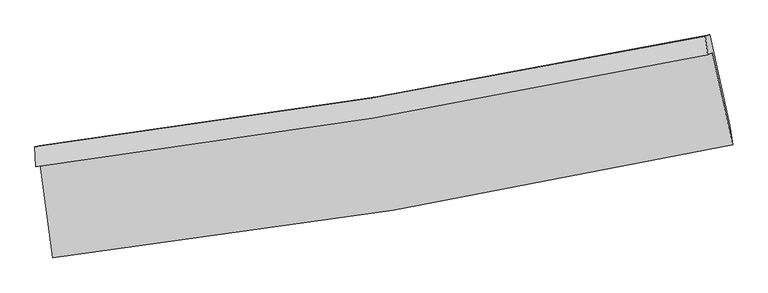
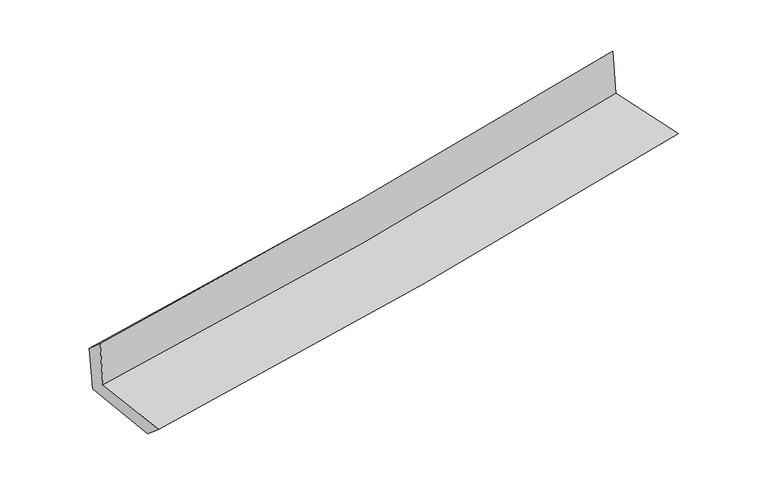
"""IFC4 building model written with IfcOpenShell, lengths in millimetres: proxy geometry."""

from ifc_helpers import new_model, si_unit, frame, origin, place, context, project, spatial, source, transform, mapped, element, save
from ifc_brep_helpers import plane_surface, spline_curve, spline_surface, advanced_brep


def generic_models_5abf8957(model_context):
    return source(origin(), model_context, "Body", "AdvancedBrep", [
        advanced_brep(
        [(-2410.9243542, -1876.1835174, 1683.6027107), (-2323.6171976, -2534.8387388, 1657.7481431), (2496.378185, -1734.5996, 2110.5598628), (2351.8592015, -1080.4848574, 2121.4809054), (-2442.6890468, -1889.6840264, 2071.8697451), (2319.7356361, -1094.1378931, 2514.1345235), (-2449.933421, -1747.7819363, 1943.431766), (2302.832851, -963.7595058, 2383.2327274), (-2418.7552837, -1738.9282535, 1568.9159457), (2334.5643148, -954.788518, 2006.4503585), (-2331.4924085, -2392.1491464, 1535.4411199), (2477.1382892, -1592.9641966, 1978.1690005)],
        [
            (0, 1),
            (1, 2, spline_curve(3, [(-2323.6171976, -2534.8387388, 1657.7481431), (-1516.015405308, -2443.383703194, 1742.33434299), (-711.697860018, -2331.221964943, 1822.266328391), (895.005398114, -2064.715994619, 1973.257604808), (1697.352980667, -1910.131353072, 2044.262859305), (2496.378185, -1734.5996, 2110.5598628)], [4, 2, 4], [0.0, 7.981221370477054, 16.008640855692537])),
            (2, 3),
            (3, 0, spline_curve(3, [(2351.8592015, -1080.4848574, 2121.4809054), (1561.621347303, -1248.860823179, 2047.691311383), (768.449969936, -1399.497336164, 1974.202226203), (-819.178216732, -1664.526627833, 1828.246276731), (-1613.601357693, -1779.123001591, 1755.775963879), (-2410.9243542, -1876.1835174, 1683.6027107)], [4, 2, 4], [0.0, 8.027419485215482, 16.008640855692537])),
            (4, 0),
            (3, 5),
            (5, 4, spline_curve(3, [(2319.7356361, -1094.1378931, 2514.1345235), (1528.892610104, -1262.771066688, 2447.742080516), (735.449599025, -1413.523028417, 2377.573236072), (-852.055135284, -1678.499850796, 2230.108301527), (-1646.087018448, -1792.92993361, 2152.855553301), (-2442.6890468, -1889.6840264, 2071.8697451)], [4, 2, 4], [0.0, 7.979030777551432, 15.912141919279462])),
            (6, 4),
            (5, 7),
            (7, 6, spline_curve(3, [(2302.832851, -963.7595058, 2383.2327274), (1513.893618949, -1126.764259976, 2303.547100067), (722.209277427, -1273.744273834, 2226.957349308), (-862.077652302, -1534.901168616, 2080.392559831), (-1654.648734501, -1649.261964904, 2010.381990411), (-2449.933421, -1747.7819363, 1943.431766)], [4, 2, 4], [0.0, 7.969277232108934, 15.89269096043195])),
            (8, 6),
            (7, 9),
            (9, 8, spline_curve(3, [(2334.5643148, -954.788518, 2006.4503585), (1545.182327157, -1117.915206793, 1931.371613996), (753.230869328, -1264.965843807, 1857.26862767), (-831.238486354, -1526.161251702, 1711.4350224), (-1623.72689485, -1640.490526194, 1639.693204247), (-2418.7552837, -1738.9282535, 1568.9159457)], [4, 2, 4], [0.0, 7.959859243982735, 15.873909185071492])),
            (10, 8),
            (9, 11),
            (11, 10, spline_curve(3, [(2477.1382892, -1592.9641966, 1978.1690005), (1679.545257201, -1760.61589438, 1902.189622661), (878.86422559, -1911.183521639, 1827.202328847), (-724.048114614, -2177.382431845, 1679.637754894), (-1526.243982147, -2293.209787775, 1607.049088276), (-2331.4924085, -2392.1491464, 1535.4411199)], [4, 2, 4], [0.0, 8.007348832005448, 15.968615056670778])),
            (1, 10),
            (11, 2),
        ],
        [
            spline_surface(3, 3, [[(-2410.9243542, -1876.1835174, 1683.6027107), (-1613.601357732, -1779.123001656, 1755.775963779), (-819.178216652, -1664.526627859, 1828.246276801), (768.449969855, -1399.497336137, 1974.202226132), (1561.621347309, -1248.8608233, 2047.691311291), (2351.8592015, -1080.4848574, 2121.4809054)], [(-2381.821968675, -2095.735257868, 1674.984521518), (-1581.072706909, -2000.54323548, 1751.295423525), (-783.351431136, -1886.758406916, 1826.252960668), (810.635112649, -1621.236888934, 1973.887352315), (1606.865225063, -1469.284333217, 2046.548493896), (2400.032195988, -1298.523104928, 2117.840557843)], [(-2352.719583125, -2315.286998332, 1666.366332282), (-1548.544056062, -2221.963469299, 1746.814883216), (-747.524645638, -2108.990185975, 1824.259644593), (852.820255424, -1842.976441733, 1973.572478557), (1652.109102854, -1689.707843153, 2045.405676571), (2448.205190512, -1516.561352472, 2114.200210357)], [(-2323.6171976, -2534.8387388, 1657.7481431), (-1516.015405239, -2443.383703123, 1742.334342961), (-711.697860121, -2331.221965031, 1822.266328459), (895.005398218, -2064.71599453, 1973.25760474), (1697.352980608, -1910.131353071, 2044.262859175), (2496.378185, -1734.5996, 2110.5598628)]], [4, 4], [4, 2, 4], [0.0, 2.2184177168518153], [0.0, 7.981221370477054, 16.008640855692537]),
            spline_surface(3, 3, [[(-2442.6890468, -1889.6840264, 2071.8697451), (-1646.087018328, -1792.929933734, 2152.855553333), (-852.055135247, -1678.49985086, 2230.10830159), (735.449598989, -1413.523028353, 2377.573236008), (1528.892610181, -1262.771066788, 2447.74208052), (2319.7356361, -1094.1378931, 2514.1345235)], [(-2432.100815932, -1885.18385675, 1942.447400297), (-1635.258464795, -1788.327623058, 2020.495690146), (-841.09616238, -1673.842109855, 2096.154293342), (746.449722613, -1408.847797609, 2243.116232731), (1539.802189228, -1258.134318956, 2314.391824119), (2330.443491238, -1089.586881198, 2383.249984141)], [(-2421.512585068, -1880.68368705, 1813.025055503), (-1624.429911265, -1783.725312331, 1888.135826966), (-830.137189519, -1669.184368865, 1962.200285049), (757.449846231, -1404.17256688, 2108.659229409), (1550.711768262, -1253.497571131, 2181.041567693), (2341.151346362, -1085.035869302, 2252.365444759)], [(-2410.9243542, -1876.1835174, 1683.6027107), (-1613.601357732, -1779.123001656, 1755.775963779), (-819.178216652, -1664.526627859, 1828.246276801), (768.449969855, -1399.497336137, 1974.202226132), (1561.621347309, -1248.8608233, 2047.691311291), (2351.8592015, -1080.4848574, 2121.4809054)]], [4, 4], [4, 2, 4], [0.0, 1.3261431280108842], [0.0, 7.93311114172803, 15.912141919279462]),
            spline_surface(3, 3, [[(-2449.933421, -1747.7819363, 1943.431766), (-1654.648734602, -1649.261964936, 2010.381990486), (-862.077652194, -1534.901168667, 2080.392559955), (722.209277319, -1273.744273783, 2226.957349183), (1513.893618899, -1126.764259864, 2303.547100173), (2302.832851, -963.7595058, 2383.2327274)], [(-2447.518629599, -1795.082633007, 1986.2444257), (-1651.794829176, -1697.151287876, 2057.873178101), (-858.736813197, -1582.767396058, 2130.297807156), (726.62271789, -1320.337191966, 2277.162644781), (1518.893282668, -1172.099862171, 2351.612093633), (2308.467112708, -1007.218968233, 2426.866659445)], [(-2445.103838201, -1842.383329693, 2029.0570854), (-1648.940923754, -1745.040610794, 2105.364365717), (-855.395974244, -1630.63362347, 2180.203054389), (731.036158417, -1366.93011017, 2327.367940411), (1523.892946412, -1217.43546448, 2399.67708706), (2314.101374392, -1050.678430667, 2470.500591455)], [(-2442.6890468, -1889.6840264, 2071.8697451), (-1646.087018328, -1792.929933734, 2152.855553333), (-852.055135247, -1678.49985086, 2230.10830159), (735.449598989, -1413.523028353, 2377.573236008), (1528.892610181, -1262.771066788, 2447.74208052), (2319.7356361, -1094.1378931, 2514.1345235)]], [4, 4], [4, 2, 4], [0.0, 0.6784167895016511], [0.0, 7.923413728323017, 15.89269096043195]),
            spline_surface(3, 3, [[(-2418.7552837, -1738.9282535, 1568.9159457), (-1623.726894965, -1640.490526205, 1639.693204163), (-831.238486448, -1526.161251581, 1711.435022271), (753.230869423, -1264.965843928, 1857.2686278), (1545.182327061, -1117.915206698, 1931.371613958), (2334.5643148, -954.788518, 2006.4503585)], [(-2429.147996129, -1741.879481103, 1693.754552468), (-1634.034174839, -1643.414339119, 1763.256132939), (-841.518208372, -1529.074557285, 1834.420868186), (742.890338714, -1267.891987222, 1980.498201615), (1534.752757678, -1120.864891089, 2055.430109368), (2323.987160204, -957.77884727, 2132.044481472)], [(-2439.540708571, -1744.830708697, 1818.593159232), (-1644.341454728, -1646.338152023, 1886.81906171), (-851.797930271, -1531.987862963, 1957.40671404), (732.549808028, -1270.818130489, 2103.727775368), (1524.323188282, -1123.814575473, 2179.488604763), (2313.410005596, -960.76917653, 2257.638604428)], [(-2449.933421, -1747.7819363, 1943.431766), (-1654.648734602, -1649.261964936, 2010.381990486), (-862.077652194, -1534.901168667, 2080.392559955), (722.209277319, -1273.744273783, 2226.957349183), (1513.893618899, -1126.764259864, 2303.547100173), (2302.832851, -963.7595058, 2383.2327274)]], [4, 4], [4, 2, 4], [0.0, 1.2162787157462351], [0.0, 7.914049941088757, 15.873909185071492]),
            spline_surface(3, 3, [[(-2331.4924085, -2392.1491464, 1535.4411199), (-1526.243982167, -2293.209787789, 1607.049088367), (-724.048114542, -2177.382431807, 1679.63775483), (878.864225517, -1911.183521677, 1827.202328911), (1679.545257158, -1760.615894446, 1902.189622672), (2477.1382892, -1592.9641966, 1978.1690005)], [(-2360.580033589, -2174.408848736, 1546.599395144), (-1558.738286455, -2075.636700564, 1617.930460276), (-759.778238511, -1960.308705073, 1690.236843965), (836.986440152, -1695.777629102, 1837.224428528), (1634.757613794, -1546.382331871, 1911.91695309), (2429.613631068, -1380.238970408, 1987.596119822)], [(-2389.667658611, -1956.668551164, 1557.757670456), (-1591.232590677, -1858.06361343, 1628.811832254), (-795.508362479, -1743.234978315, 1700.835933136), (795.108654788, -1480.371736504, 1847.246528183), (1589.969970426, -1332.148769273, 1921.644283541), (2382.088972932, -1167.513744192, 1997.023239178)], [(-2418.7552837, -1738.9282535, 1568.9159457), (-1623.726894965, -1640.490526205, 1639.693204163), (-831.238486448, -1526.161251581, 1711.435022271), (753.230869423, -1264.965843928, 1857.2686278), (1545.182327061, -1117.915206698, 1931.371613958), (2334.5643148, -954.788518, 2006.4503585)]], [4, 4], [4, 2, 4], [0.0, 2.1647048033225476], [0.0, 7.961266224665329, 15.968615056670778]),
            spline_surface(3, 3, [[(-2323.6171976, -2534.8387388, 1657.7481431), (-1516.015405239, -2443.383703123, 1742.334342961), (-711.697860121, -2331.221965031, 1822.266328459), (895.005398218, -2064.71599453, 1973.25760474), (1697.352980608, -1910.131353071, 2044.262859175), (2496.378185, -1734.5996, 2110.5598628)], [(-2326.242267877, -2487.275541334, 1616.979135373), (-1519.424930858, -2393.325731346, 1697.239258103), (-715.814611609, -2279.942120619, 1774.72347059), (889.625007303, -2013.538503575, 1924.572512804), (1691.417072785, -1860.292866861, 1996.905113684), (2489.964886393, -1687.387798865, 2066.429575377)], [(-2328.867338223, -2439.712343866, 1576.210127627), (-1522.834456547, -2343.267759566, 1652.144173226), (-719.931363054, -2228.662276219, 1727.1806127), (884.244616431, -1962.361012632, 1875.887420847), (1685.481164982, -1810.454380656, 1949.547368163), (2483.551587807, -1640.175997735, 2022.299287923)], [(-2331.4924085, -2392.1491464, 1535.4411199), (-1526.243982167, -2293.209787789, 1607.049088367), (-724.048114542, -2177.382431807, 1679.63775483), (878.864225517, -1911.183521677, 1827.202328911), (1679.545257158, -1760.615894446, 1902.189622672), (2477.1382892, -1592.9641966, 1978.1690005)]], [4, 4], [4, 2, 4], [0.0, 0.6933350355568665], [0.0, 8.018774661848976, 16.083964810087043]),
            plane_surface(frame((2380.4180796, -1236.7890951, 2185.6712297), z_axis=(0.9730518412840321, 0.2135313253282303, 0.08703153036299068), x_axis=(-0.08389627086070708, -0.023718805667041303, 0.9961921672013869))),
            plane_surface(frame((-2396.2352853, -2029.9276031, 1743.5015717), z_axis=(-0.9881480792316439, -0.12763510014093257, -0.0852798611796888), x_axis=(-0.13130488807128776, 0.990579163451656, 0.038883766587151335))),
        ],
        [
            (0, [[1, 2, 3, 4]]),
            (1, [[5, -4, 6, 7]]),
            (2, [[8, -7, 9, 10]]),
            (3, [[11, -10, 12, 13]]),
            (4, [[14, -13, 15, 16]]),
            (5, [[17, -16, 18, -2]]),
            (6, [[-12, -9, -6, -3, -18, -15]]),
            (7, [[-1, -5, -8, -11, -14, -17]]),
        ],
    ),
    ])


if __name__ == "__main__":
    model = new_model("IFC4")
    model_context = context("Model", 3, world=origin())
    ifc_project = project(units=[si_unit("LENGTHUNIT", "METRE", prefix="MILLI")], contexts=[model_context])
    site = spatial("IfcSite", under=ifc_project)
    building = spatial("IfcBuilding", under=site)
    placement = place(None, origin())
    generic_models_shape = generic_models_5abf8957(model_context)
    element("IfcBuildingElementProxy", 1, Name="Generic Models", at=placement, inside=building, context=model_context, shape_type="MappedRepresentation", body=[
        mapped(generic_models_shape, transform((0.0, 0.0, 0.0), x_axis=(1.0, 0.0, 0.0), y_axis=(0.0, 1.0, 0.0), z_axis=(0.0, 0.0, 1.0))),
    ])
    save(model, "model.ifc")
